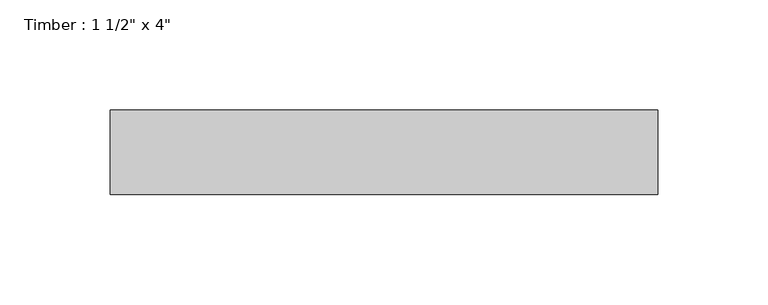
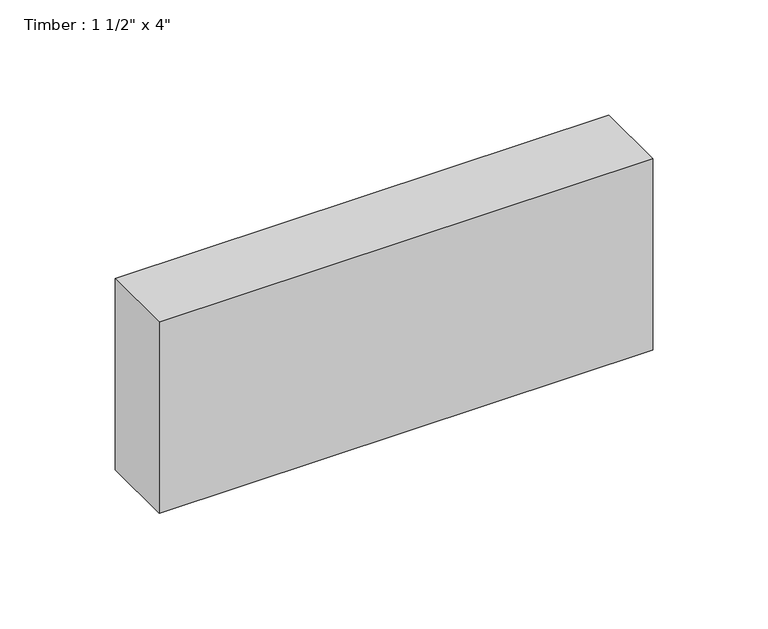
"""IFC4 building model written with IfcOpenShell, lengths in millimetres: beam geometry."""

from ifc_helpers import new_model, si_unit, frame, origin, place, context, project, spatial, polyline, outline, extrude, source, transform, mapped, element, save


def beam_d275a8a0(model_context):
    return source(origin(), model_context, "Body", "SweptSolid", [
        extrude(outline(polyline([(123.825, 19.05), (123.825, -19.05), (-123.825, -19.05), (-123.825, 19.05), (123.825, 19.05)])), frame((0.0, 0.0, -50.8), z_axis=(0.0, 0.0, 1.0), x_axis=(1.0, 0.0, 0.0)), (0.0, 0.0, 1.0), 101.6),
    ])


if __name__ == "__main__":
    model = new_model("IFC4")
    model_context = context("Model", 3, world=origin())
    ifc_project = project(units=[si_unit("LENGTHUNIT", "METRE", prefix="MILLI")], contexts=[model_context])
    site = spatial("IfcSite", under=ifc_project)
    building = spatial("IfcBuilding", under=site)
    placement = place(None, origin())
    beam_shape = beam_d275a8a0(model_context)
    element("IfcBeam", 1, ObjectType="Timber : 1 1/2\" x 4\"", at=placement, inside=building, context=model_context, shape_type="MappedRepresentation", body=[
        mapped(beam_shape, transform((0.0, 0.0, 0.0), x_axis=(1.0, 0.0, 0.0), y_axis=(0.0, 1.0, 0.0), z_axis=(0.0, 0.0, 1.0))),
    ])
    save(model, "model.ifc")
